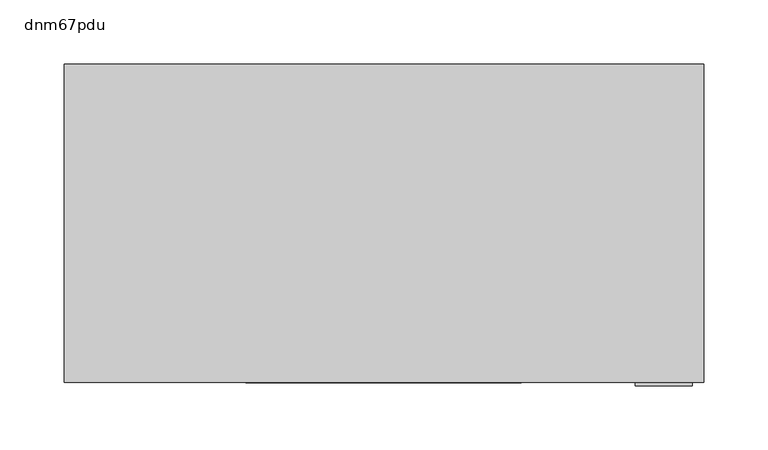
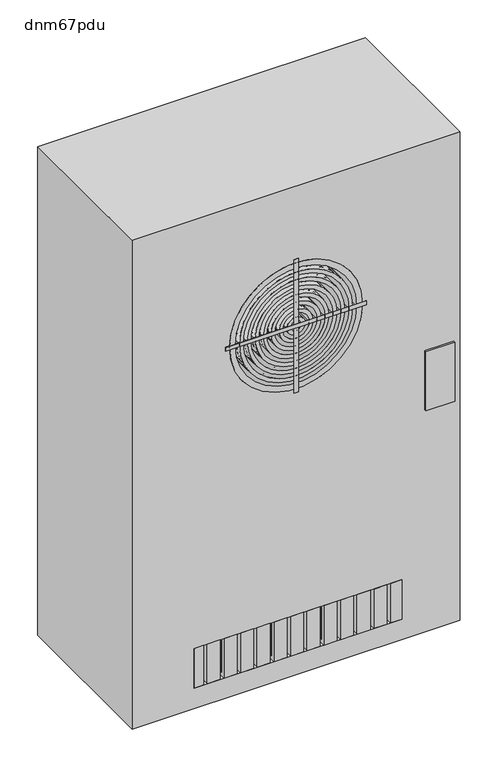
"""IFC4 building model written with IfcOpenShell, lengths in millimetres: proxy geometry, dnm67pdu."""

from ifc_helpers import new_model, si_unit, point, frame, frame_2d, origin, place, context, project, spatial, polyline, circle_curve, trimmed, segment, composite_curve, outline, extrude, source, transform, mapped, element, save
from ifc_brep_helpers import plane_surface, revolved_surface, advanced_brep


def dnm67pdu_6acc0c2c(model_context):
    return source(origin(), model_context, "Body", "SolidModel", [
        extrude(outline(polyline([(240.7373828, -251.618853), (196.2873828, -251.618853), (196.2873828, -232.6792723), (240.7373828, -232.6792723), (240.7373828, -251.618853)])), frame((0.0, 0.0, 1488.1711853), z_axis=(0.0, 0.0, 1.0), x_axis=(1.0, 0.0, 0.0)), (0.0, 0.0, 1.0), 95.25),
        extrude(outline(polyline([(-115.4828075, -248.92), (-135.3156418, -248.92), (-135.3156418, -160.8827097), (-115.4828075, -160.8827097), (-115.4828075, -248.92)])), frame((0.0, 0.0, 1163.2957115), z_axis=(0.0, 0.0, 1.0), x_axis=(1.0, 0.0, 0.0)), (0.0, 0.0, 1.0), 63.5),
        extrude(outline(polyline([(-155.7407359, -248.92), (-155.7407359, -160.8827097), (-140.8828075, -160.8827097), (-140.8828075, -248.92), (-155.7407359, -248.92)])), frame((0.0, 0.0, 1163.2957115), z_axis=(0.0, 0.0, 1.0), x_axis=(1.0, 0.0, 0.0)), (0.0, 0.0, 1.0), 63.5),
        extrude(outline(polyline([(-90.0828075, -248.92), (-109.9156418, -248.92), (-109.9156418, -160.8827097), (-90.0828075, -160.8827097), (-90.0828075, -248.92)])), frame((0.0, 0.0, 1163.2957115), z_axis=(0.0, 0.0, 1.0), x_axis=(1.0, 0.0, 0.0)), (0.0, 0.0, 1.0), 63.5),
        extrude(outline(polyline([(-64.6828075, -248.92), (-84.5156418, -248.92), (-84.5156418, -160.8827097), (-64.6828075, -160.8827097), (-64.6828075, -248.92)])), frame((0.0, 0.0, 1163.2957115), z_axis=(0.0, 0.0, 1.0), x_axis=(1.0, 0.0, 0.0)), (0.0, 0.0, 1.0), 63.5),
        extrude(outline(polyline([(-39.2828075, -248.92), (-59.1156418, -248.92), (-59.1156418, -160.8827097), (-39.2828075, -160.8827097), (-39.2828075, -248.92)])), frame((0.0, 0.0, 1163.2957115), z_axis=(0.0, 0.0, 1.0), x_axis=(1.0, 0.0, 0.0)), (0.0, 0.0, 1.0), 63.5),
        extrude(outline(polyline([(-13.8828075, -248.92), (-33.7156418, -248.92), (-33.7156418, -160.8827097), (-13.8828075, -160.8827097), (-13.8828075, -248.92)])), frame((0.0, 0.0, 1163.2957115), z_axis=(0.0, 0.0, 1.0), x_axis=(1.0, 0.0, 0.0)), (0.0, 0.0, 1.0), 63.5),
        extrude(outline(polyline([(11.5171925, -248.92), (-8.3156418, -248.92), (-8.3156418, -160.8827097), (11.5171925, -160.8827097), (11.5171925, -248.92)])), frame((0.0, 0.0, 1163.2957115), z_axis=(0.0, 0.0, 1.0), x_axis=(1.0, 0.0, 0.0)), (0.0, 0.0, 1.0), 63.5),
        extrude(outline(polyline([(36.9171925, -248.92), (17.0843582, -248.92), (17.0843582, -160.8827097), (36.9171925, -160.8827097), (36.9171925, -248.92)])), frame((0.0, 0.0, 1163.2957115), z_axis=(0.0, 0.0, 1.0), x_axis=(1.0, 0.0, 0.0)), (0.0, 0.0, 1.0), 63.5),
        extrude(outline(polyline([(62.3171925, -248.92), (42.4843582, -248.92), (42.4843582, -160.8827097), (62.3171925, -160.8827097), (62.3171925, -248.92)])), frame((0.0, 0.0, 1163.2957115), z_axis=(0.0, 0.0, 1.0), x_axis=(1.0, 0.0, 0.0)), (0.0, 0.0, 1.0), 63.5),
        extrude(outline(polyline([(87.7171925, -248.92), (67.8843582, -248.92), (67.8843582, -160.8827097), (87.7171925, -160.8827097), (87.7171925, -248.92)])), frame((0.0, 0.0, 1163.2957115), z_axis=(0.0, 0.0, 1.0), x_axis=(1.0, 0.0, 0.0)), (0.0, 0.0, 1.0), 63.5),
        extrude(outline(polyline([(113.1171925, -248.92), (93.2843582, -248.92), (93.2843582, -160.8827097), (113.1171925, -160.8827097), (113.1171925, -248.92)])), frame((0.0, 0.0, 1163.2957115), z_axis=(0.0, 0.0, 1.0), x_axis=(1.0, 0.0, 0.0)), (0.0, 0.0, 1.0), 63.5),
        extrude(outline(polyline([(138.5171925, -248.92), (118.6843582, -248.92), (118.6843582, -160.8827097), (138.5171925, -160.8827097), (138.5171925, -248.92)])), frame((0.0, 0.0, 1163.2957115), z_axis=(0.0, 0.0, 1.0), x_axis=(1.0, 0.0, 0.0)), (0.0, 0.0, 1.0), 63.5),
        extrude(outline(polyline([(161.7592641, -160.8827097), (161.7592641, -248.92), (144.0843582, -248.92), (144.0843582, -160.8827097), (161.7592641, -160.8827097)])), frame((0.0, 0.0, 1163.2957115), z_axis=(0.0, 0.0, 1.0), x_axis=(1.0, 0.0, 0.0)), (0.0, 0.0, 1.0), 63.5),
        extrude(outline(polyline([(-115.4828075, -243.2087184), (-135.3156418, -243.2087184), (-135.3156418, -182.1881634), (-115.4828075, -182.1881634), (-115.4828075, -243.2087184)])), frame((0.0, 0.0, 1169.3480552), z_axis=(0.0, 0.0, 1.0), x_axis=(1.0, 0.0, 0.0)), (0.0, 0.0, 1.0), 51.3953125),
        extrude(outline(polyline([(-149.6883922, -243.2087184), (-149.6883922, -182.1881634), (-140.8828075, -182.1881634), (-140.8828075, -243.2087184), (-149.6883922, -243.2087184)])), frame((0.0, 0.0, 1169.3480552), z_axis=(0.0, 0.0, 1.0), x_axis=(1.0, 0.0, 0.0)), (0.0, 0.0, 1.0), 51.3953125),
        extrude(outline(polyline([(-90.0828075, -243.2087184), (-109.9156418, -243.2087184), (-109.9156418, -182.1881634), (-90.0828075, -182.1881634), (-90.0828075, -243.2087184)])), frame((0.0, 0.0, 1169.3480552), z_axis=(0.0, 0.0, 1.0), x_axis=(1.0, 0.0, 0.0)), (0.0, 0.0, 1.0), 51.3953125),
        extrude(outline(polyline([(-64.6828075, -243.2087184), (-84.5156418, -243.2087184), (-84.5156418, -182.1881634), (-64.6828075, -182.1881634), (-64.6828075, -243.2087184)])), frame((0.0, 0.0, 1169.3480552), z_axis=(0.0, 0.0, 1.0), x_axis=(1.0, 0.0, 0.0)), (0.0, 0.0, 1.0), 51.3953125),
        extrude(outline(polyline([(-39.2828075, -243.2087184), (-59.1156418, -243.2087184), (-59.1156418, -182.1881634), (-39.2828075, -182.1881634), (-39.2828075, -243.2087184)])), frame((0.0, 0.0, 1169.3480552), z_axis=(0.0, 0.0, 1.0), x_axis=(1.0, 0.0, 0.0)), (0.0, 0.0, 1.0), 51.3953125),
        extrude(outline(polyline([(-13.8828075, -243.2087184), (-33.7156418, -243.2087184), (-33.7156418, -182.1881634), (-13.8828075, -182.1881634), (-13.8828075, -243.2087184)])), frame((0.0, 0.0, 1169.3480552), z_axis=(0.0, 0.0, 1.0), x_axis=(1.0, 0.0, 0.0)), (0.0, 0.0, 1.0), 51.3953125),
        extrude(outline(polyline([(11.5171925, -243.2087184), (-8.3156418, -243.2087184), (-8.3156418, -182.1881634), (11.5171925, -182.1881634), (11.5171925, -243.2087184)])), frame((0.0, 0.0, 1169.3480552), z_axis=(0.0, 0.0, 1.0), x_axis=(1.0, 0.0, 0.0)), (0.0, 0.0, 1.0), 51.3953125),
        extrude(outline(polyline([(36.9171925, -243.2087184), (17.0843582, -243.2087184), (17.0843582, -182.1881634), (36.9171925, -182.1881634), (36.9171925, -243.2087184)])), frame((0.0, 0.0, 1169.3480552), z_axis=(0.0, 0.0, 1.0), x_axis=(1.0, 0.0, 0.0)), (0.0, 0.0, 1.0), 51.3953125),
        extrude(outline(polyline([(62.3171925, -243.2087184), (42.4843582, -243.2087184), (42.4843582, -182.1881634), (62.3171925, -182.1881634), (62.3171925, -243.2087184)])), frame((0.0, 0.0, 1169.3480552), z_axis=(0.0, 0.0, 1.0), x_axis=(1.0, 0.0, 0.0)), (0.0, 0.0, 1.0), 51.3953125),
        extrude(outline(polyline([(87.7171925, -243.2087184), (67.8843582, -243.2087184), (67.8843582, -182.1881634), (87.7171925, -182.1881634), (87.7171925, -243.2087184)])), frame((0.0, 0.0, 1169.3480552), z_axis=(0.0, 0.0, 1.0), x_axis=(1.0, 0.0, 0.0)), (0.0, 0.0, 1.0), 51.3953125),
        extrude(outline(polyline([(113.1171925, -243.2087184), (93.2843582, -243.2087184), (93.2843582, -182.1881634), (113.1171925, -182.1881634), (113.1171925, -243.2087184)])), frame((0.0, 0.0, 1169.3480552), z_axis=(0.0, 0.0, 1.0), x_axis=(1.0, 0.0, 0.0)), (0.0, 0.0, 1.0), 51.3953125),
        extrude(outline(polyline([(138.5171925, -243.2087184), (118.6843582, -243.2087184), (118.6843582, -182.1881634), (138.5171925, -182.1881634), (138.5171925, -243.2087184)])), frame((0.0, 0.0, 1169.3480552), z_axis=(0.0, 0.0, 1.0), x_axis=(1.0, 0.0, 0.0)), (0.0, 0.0, 1.0), 51.3953125),
        extrude(outline(polyline([(155.7069203, -182.1881634), (155.7069203, -243.2087184), (144.0843582, -243.2087184), (144.0843582, -182.1881634), (155.7069203, -182.1881634)])), frame((0.0, 0.0, 1169.3480552), z_axis=(0.0, 0.0, 1.0), x_axis=(1.0, 0.0, 0.0)), (0.0, 0.0, 1.0), 51.3953125),
        extrude(outline(composite_curve([segment(trimmed(circle_curve(frame_2d((1692.5884875, 0.0)), 101.6), [point((1692.5884875, -101.6))], [point((1692.5884875, 101.6))], False, "CARTESIAN"), True, "CONTINUOUS"), segment(trimmed(circle_curve(frame_2d((1692.5884875, 0.0)), 101.6), [point((1692.5884875, 101.6))], [point((1692.5884875, -101.6))], False, "CARTESIAN"), True, "CONTINUOUS")], self_intersect=False), holes=[composite_curve([segment(trimmed(circle_curve(frame_2d((1692.5884875, 0.0)), 92.471875), [point((1692.5884875, -92.471875))], [point((1692.5884875, 92.471875))], True, "CARTESIAN"), True, "CONTINUOUS"), segment(trimmed(circle_curve(frame_2d((1692.5884875, 0.0)), 92.471875), [point((1692.5884875, 92.471875))], [point((1692.5884875, -92.471875))], True, "CARTESIAN"), True, "CONTINUOUS")], self_intersect=False)]), frame((0.0, -248.92, 0.0), z_axis=(0.0, 1.0, 0.0), x_axis=(0.0, 0.0, 1.0)), (0.0, 0.0, 1.0), 88.0372903),
        extrude(outline(composite_curve([segment(trimmed(circle_curve(frame_2d((1692.5884875, 0.0)), 86.4195313), [point((1692.5884875, -86.4195313))], [point((1692.5884875, 86.4195313))], False, "CARTESIAN"), True, "CONTINUOUS"), segment(trimmed(circle_curve(frame_2d((1692.5884875, 0.0)), 86.4195313), [point((1692.5884875, 86.4195313))], [point((1692.5884875, -86.4195313))], False, "CARTESIAN"), True, "CONTINUOUS")], self_intersect=False), holes=[composite_curve([segment(trimmed(circle_curve(frame_2d((1692.5884875, 0.0)), 80.3671875), [point((1692.5884875, -80.3671875))], [point((1692.5884875, 80.3671875))], True, "CARTESIAN"), True, "CONTINUOUS"), segment(trimmed(circle_curve(frame_2d((1692.5884875, 0.0)), 80.3671875), [point((1692.5884875, 80.3671875))], [point((1692.5884875, -80.3671875))], True, "CARTESIAN"), True, "CONTINUOUS")], self_intersect=False)]), frame((0.0, -248.92, 0.0), z_axis=(0.0, 1.0, 0.0), x_axis=(0.0, 0.0, 1.0)), (0.0, 0.0, 1.0), 88.0372903),
        extrude(outline(composite_curve([segment(trimmed(circle_curve(frame_2d((1692.5884875, 0.0)), 74.3148438), [point((1692.5884875, -74.3148438))], [point((1692.5884875, 74.3148438))], False, "CARTESIAN"), True, "CONTINUOUS"), segment(trimmed(circle_curve(frame_2d((1692.5884875, 0.0)), 74.3148438), [point((1692.5884875, 74.3148438))], [point((1692.5884875, -74.3148438))], False, "CARTESIAN"), True, "CONTINUOUS")], self_intersect=False), holes=[composite_curve([segment(trimmed(circle_curve(frame_2d((1692.5884875, 0.0)), 68.2625), [point((1692.5884875, -68.2625))], [point((1692.5884875, 68.2625))], True, "CARTESIAN"), True, "CONTINUOUS"), segment(trimmed(circle_curve(frame_2d((1692.5884875, 0.0)), 68.2625), [point((1692.5884875, 68.2625))], [point((1692.5884875, -68.2625))], True, "CARTESIAN"), True, "CONTINUOUS")], self_intersect=False)]), frame((0.0, -248.92, 0.0), z_axis=(0.0, 1.0, 0.0), x_axis=(0.0, 0.0, 1.0)), (0.0, 0.0, 1.0), 88.0372903),
        extrude(outline(composite_curve([segment(trimmed(circle_curve(frame_2d((1692.5884875, 0.0)), 62.2101563), [point((1692.5884875, -62.2101563))], [point((1692.5884875, 62.2101563))], False, "CARTESIAN"), True, "CONTINUOUS"), segment(trimmed(circle_curve(frame_2d((1692.5884875, 0.0)), 62.2101563), [point((1692.5884875, 62.2101563))], [point((1692.5884875, -62.2101563))], False, "CARTESIAN"), True, "CONTINUOUS")], self_intersect=False), holes=[composite_curve([segment(trimmed(circle_curve(frame_2d((1692.5884875, 0.0)), 56.1578125), [point((1692.5884875, -56.1578125))], [point((1692.5884875, 56.1578125))], True, "CARTESIAN"), True, "CONTINUOUS"), segment(trimmed(circle_curve(frame_2d((1692.5884875, 0.0)), 56.1578125), [point((1692.5884875, 56.1578125))], [point((1692.5884875, -56.1578125))], True, "CARTESIAN"), True, "CONTINUOUS")], self_intersect=False)]), frame((0.0, -248.92, 0.0), z_axis=(0.0, 1.0, 0.0), x_axis=(0.0, 0.0, 1.0)), (0.0, 0.0, 1.0), 88.0372903),
        extrude(outline(composite_curve([segment(trimmed(circle_curve(frame_2d((1692.5884875, 0.0)), 50.1054688), [point((1692.5884875, -50.1054688))], [point((1692.5884875, 50.1054688))], False, "CARTESIAN"), True, "CONTINUOUS"), segment(trimmed(circle_curve(frame_2d((1692.5884875, 0.0)), 50.1054688), [point((1692.5884875, 50.1054688))], [point((1692.5884875, -50.1054688))], False, "CARTESIAN"), True, "CONTINUOUS")], self_intersect=False), holes=[composite_curve([segment(trimmed(circle_curve(frame_2d((1692.5884875, 0.0)), 44.053125), [point((1692.5884875, -44.053125))], [point((1692.5884875, 44.053125))], True, "CARTESIAN"), True, "CONTINUOUS"), segment(trimmed(circle_curve(frame_2d((1692.5884875, 0.0)), 44.053125), [point((1692.5884875, 44.053125))], [point((1692.5884875, -44.053125))], True, "CARTESIAN"), True, "CONTINUOUS")], self_intersect=False)]), frame((0.0, -248.92, 0.0), z_axis=(0.0, 1.0, 0.0), x_axis=(0.0, 0.0, 1.0)), (0.0, 0.0, 1.0), 88.0372903),
        extrude(outline(composite_curve([segment(trimmed(circle_curve(frame_2d((1692.5884875, 0.0)), 38.0007813), [point((1692.5884875, -38.0007813))], [point((1692.5884875, 38.0007813))], False, "CARTESIAN"), True, "CONTINUOUS"), segment(trimmed(circle_curve(frame_2d((1692.5884875, 0.0)), 38.0007813), [point((1692.5884875, 38.0007813))], [point((1692.5884875, -38.0007813))], False, "CARTESIAN"), True, "CONTINUOUS")], self_intersect=False), holes=[composite_curve([segment(trimmed(circle_curve(frame_2d((1692.5884875, 0.0)), 31.9484375), [point((1692.5884875, -31.9484375))], [point((1692.5884875, 31.9484375))], True, "CARTESIAN"), True, "CONTINUOUS"), segment(trimmed(circle_curve(frame_2d((1692.5884875, 0.0)), 31.9484375), [point((1692.5884875, 31.9484375))], [point((1692.5884875, -31.9484375))], True, "CARTESIAN"), True, "CONTINUOUS")], self_intersect=False)]), frame((0.0, -248.92, 0.0), z_axis=(0.0, 1.0, 0.0), x_axis=(0.0, 0.0, 1.0)), (0.0, 0.0, 1.0), 88.0372903),
        extrude(outline(composite_curve([segment(trimmed(circle_curve(frame_2d((1692.5884875, 0.0)), 25.8960938), [point((1692.5884875, -25.8960938))], [point((1692.5884875, 25.8960938))], False, "CARTESIAN"), True, "CONTINUOUS"), segment(trimmed(circle_curve(frame_2d((1692.5884875, 0.0)), 25.8960938), [point((1692.5884875, 25.8960938))], [point((1692.5884875, -25.8960938))], False, "CARTESIAN"), True, "CONTINUOUS")], self_intersect=False), holes=[composite_curve([segment(trimmed(circle_curve(frame_2d((1692.5884875, 0.0)), 19.84375), [point((1692.5884875, -19.84375))], [point((1692.5884875, 19.84375))], True, "CARTESIAN"), True, "CONTINUOUS"), segment(trimmed(circle_curve(frame_2d((1692.5884875, 0.0)), 19.84375), [point((1692.5884875, 19.84375))], [point((1692.5884875, -19.84375))], True, "CARTESIAN"), True, "CONTINUOUS")], self_intersect=False)]), frame((0.0, -248.92, 0.0), z_axis=(0.0, 1.0, 0.0), x_axis=(0.0, 0.0, 1.0)), (0.0, 0.0, 1.0), 88.0372903),
        extrude(outline(composite_curve([segment(trimmed(circle_curve(frame_2d((1692.5884875, 0.0)), 13.7914063), [point((1692.5884875, -13.7914063))], [point((1692.5884875, 13.7914063))], False, "CARTESIAN"), True, "CONTINUOUS"), segment(trimmed(circle_curve(frame_2d((1692.5884875, 0.0)), 13.7914063), [point((1692.5884875, 13.7914063))], [point((1692.5884875, -13.7914063))], False, "CARTESIAN"), True, "CONTINUOUS")], self_intersect=False), holes=[composite_curve([segment(trimmed(circle_curve(frame_2d((1692.5884875, 0.0)), 7.7390625), [point((1692.5884875, -7.7390625))], [point((1692.5884875, 7.7390625))], True, "CARTESIAN"), True, "CONTINUOUS"), segment(trimmed(circle_curve(frame_2d((1692.5884875, 0.0)), 7.7390625), [point((1692.5884875, 7.7390625))], [point((1692.5884875, -7.7390625))], True, "CARTESIAN"), True, "CONTINUOUS")], self_intersect=False)]), frame((0.0, -248.92, 0.0), z_axis=(0.0, 1.0, 0.0), x_axis=(0.0, 0.0, 1.0)), (0.0, 0.0, 1.0), 88.0372903),
        extrude(outline(polyline([(107.15625, -249.3932625), (-107.95, -249.3932625), (-107.95, -248.92), (107.15625, -248.92), (107.15625, -249.3932625)])), frame((0.0, 0.0, 1689.1), z_axis=(0.0, 0.0, 1.0), x_axis=(1.0, 0.0, 0.0)), (0.0, 0.0, 1.0), 6.35),
        extrude(outline(polyline([(3.175, -249.3932625), (-3.175, -249.3932625), (-3.175, -248.92), (3.175, -248.92), (3.175, -249.3932625)])), frame((0.0, 0.0, 1585.0452046), z_axis=(0.0, 0.0, 1.0), x_axis=(1.0, 0.0, 0.0)), (0.0, 0.0, 1.0), 215.10625),
        extrude(outline(composite_curve([segment(trimmed(circle_curve(frame_2d((1692.5884875, 0.0)), 98.5242188), [point((1692.5884875, 98.5242188))], [point((1692.5884875, -98.5242188))], False, "CARTESIAN"), True, "CONTINUOUS"), segment(trimmed(circle_curve(frame_2d((1692.5884875, 0.0)), 98.5242188), [point((1692.5884875, -98.5242188))], [point((1692.5884875, 98.5242188))], False, "CARTESIAN"), True, "CONTINUOUS")], self_intersect=False), holes=[composite_curve([segment(trimmed(circle_curve(frame_2d((1692.5884875, 0.0)), 92.471875), [point((1692.5884875, -92.471875))], [point((1692.5884875, 92.471875))], True, "CARTESIAN"), True, "CONTINUOUS"), segment(trimmed(circle_curve(frame_2d((1692.5884875, 0.0)), 92.471875), [point((1692.5884875, 92.471875))], [point((1692.5884875, -92.471875))], True, "CARTESIAN"), True, "CONTINUOUS")], self_intersect=False)]), frame((0.0, -241.3, 0.0), z_axis=(0.0, 1.0, 0.0), x_axis=(0.0, 0.0, 1.0)), (0.0, 0.0, 1.0), 58.8591125),
        extrude(outline(composite_curve([segment(trimmed(circle_curve(frame_2d((1692.5884875, 0.0)), 86.4195313), [point((1692.5884875, -86.4195313))], [point((1692.5884875, 86.4195313))], False, "CARTESIAN"), True, "CONTINUOUS"), segment(trimmed(circle_curve(frame_2d((1692.5884875, 0.0)), 86.4195313), [point((1692.5884875, 86.4195313))], [point((1692.5884875, -86.4195313))], False, "CARTESIAN"), True, "CONTINUOUS")], self_intersect=False), holes=[composite_curve([segment(trimmed(circle_curve(frame_2d((1692.5884875, 0.0)), 80.3671875), [point((1692.5884875, -80.3671875))], [point((1692.5884875, 80.3671875))], True, "CARTESIAN"), True, "CONTINUOUS"), segment(trimmed(circle_curve(frame_2d((1692.5884875, 0.0)), 80.3671875), [point((1692.5884875, 80.3671875))], [point((1692.5884875, -80.3671875))], True, "CARTESIAN"), True, "CONTINUOUS")], self_intersect=False)]), frame((0.0, -241.3, 0.0), z_axis=(0.0, 1.0, 0.0), x_axis=(0.0, 0.0, 1.0)), (0.0, 0.0, 1.0), 58.8591125),
        extrude(outline(composite_curve([segment(trimmed(circle_curve(frame_2d((1692.5884875, 0.0)), 74.3148438), [point((1692.5884875, -74.3148438))], [point((1692.5884875, 74.3148438))], False, "CARTESIAN"), True, "CONTINUOUS"), segment(trimmed(circle_curve(frame_2d((1692.5884875, 0.0)), 74.3148438), [point((1692.5884875, 74.3148438))], [point((1692.5884875, -74.3148438))], False, "CARTESIAN"), True, "CONTINUOUS")], self_intersect=False), holes=[composite_curve([segment(trimmed(circle_curve(frame_2d((1692.5884875, 0.0)), 68.2625), [point((1692.5884875, -68.2625))], [point((1692.5884875, 68.2625))], True, "CARTESIAN"), True, "CONTINUOUS"), segment(trimmed(circle_curve(frame_2d((1692.5884875, 0.0)), 68.2625), [point((1692.5884875, 68.2625))], [point((1692.5884875, -68.2625))], True, "CARTESIAN"), True, "CONTINUOUS")], self_intersect=False)]), frame((0.0, -241.3, 0.0), z_axis=(0.0, 1.0, 0.0), x_axis=(0.0, 0.0, 1.0)), (0.0, 0.0, 1.0), 58.8591125),
        extrude(outline(composite_curve([segment(trimmed(circle_curve(frame_2d((1692.5884875, 0.0)), 62.2101563), [point((1692.5884875, -62.2101563))], [point((1692.5884875, 62.2101563))], False, "CARTESIAN"), True, "CONTINUOUS"), segment(trimmed(circle_curve(frame_2d((1692.5884875, 0.0)), 62.2101563), [point((1692.5884875, 62.2101563))], [point((1692.5884875, -62.2101563))], False, "CARTESIAN"), True, "CONTINUOUS")], self_intersect=False), holes=[composite_curve([segment(trimmed(circle_curve(frame_2d((1692.5884875, 0.0)), 56.1578125), [point((1692.5884875, -56.1578125))], [point((1692.5884875, 56.1578125))], True, "CARTESIAN"), True, "CONTINUOUS"), segment(trimmed(circle_curve(frame_2d((1692.5884875, 0.0)), 56.1578125), [point((1692.5884875, 56.1578125))], [point((1692.5884875, -56.1578125))], True, "CARTESIAN"), True, "CONTINUOUS")], self_intersect=False)]), frame((0.0, -241.3, 0.0), z_axis=(0.0, 1.0, 0.0), x_axis=(0.0, 0.0, 1.0)), (0.0, 0.0, 1.0), 58.8591125),
        extrude(outline(composite_curve([segment(trimmed(circle_curve(frame_2d((1692.5884875, 0.0)), 50.1054688), [point((1692.5884875, -50.1054688))], [point((1692.5884875, 50.1054688))], False, "CARTESIAN"), True, "CONTINUOUS"), segment(trimmed(circle_curve(frame_2d((1692.5884875, 0.0)), 50.1054688), [point((1692.5884875, 50.1054688))], [point((1692.5884875, -50.1054688))], False, "CARTESIAN"), True, "CONTINUOUS")], self_intersect=False), holes=[composite_curve([segment(trimmed(circle_curve(frame_2d((1692.5884875, 0.0)), 44.053125), [point((1692.5884875, -44.053125))], [point((1692.5884875, 44.053125))], True, "CARTESIAN"), True, "CONTINUOUS"), segment(trimmed(circle_curve(frame_2d((1692.5884875, 0.0)), 44.053125), [point((1692.5884875, 44.053125))], [point((1692.5884875, -44.053125))], True, "CARTESIAN"), True, "CONTINUOUS")], self_intersect=False)]), frame((0.0, -241.3, 0.0), z_axis=(0.0, 1.0, 0.0), x_axis=(0.0, 0.0, 1.0)), (0.0, 0.0, 1.0), 58.8591125),
        extrude(outline(composite_curve([segment(trimmed(circle_curve(frame_2d((1692.5884875, 0.0)), 38.0007813), [point((1692.5884875, -38.0007813))], [point((1692.5884875, 38.0007813))], False, "CARTESIAN"), True, "CONTINUOUS"), segment(trimmed(circle_curve(frame_2d((1692.5884875, 0.0)), 38.0007813), [point((1692.5884875, 38.0007813))], [point((1692.5884875, -38.0007813))], False, "CARTESIAN"), True, "CONTINUOUS")], self_intersect=False), holes=[composite_curve([segment(trimmed(circle_curve(frame_2d((1692.5884875, 0.0)), 31.9484375), [point((1692.5884875, -31.9484375))], [point((1692.5884875, 31.9484375))], True, "CARTESIAN"), True, "CONTINUOUS"), segment(trimmed(circle_curve(frame_2d((1692.5884875, 0.0)), 31.9484375), [point((1692.5884875, 31.9484375))], [point((1692.5884875, -31.9484375))], True, "CARTESIAN"), True, "CONTINUOUS")], self_intersect=False)]), frame((0.0, -241.3, 0.0), z_axis=(0.0, 1.0, 0.0), x_axis=(0.0, 0.0, 1.0)), (0.0, 0.0, 1.0), 58.8591125),
        extrude(outline(composite_curve([segment(trimmed(circle_curve(frame_2d((1692.5884875, 0.0)), 25.8960938), [point((1692.5884875, -25.8960938))], [point((1692.5884875, 25.8960938))], False, "CARTESIAN"), True, "CONTINUOUS"), segment(trimmed(circle_curve(frame_2d((1692.5884875, 0.0)), 25.8960938), [point((1692.5884875, 25.8960938))], [point((1692.5884875, -25.8960938))], False, "CARTESIAN"), True, "CONTINUOUS")], self_intersect=False), holes=[composite_curve([segment(trimmed(circle_curve(frame_2d((1692.5884875, 0.0)), 19.84375), [point((1692.5884875, -19.84375))], [point((1692.5884875, 19.84375))], True, "CARTESIAN"), True, "CONTINUOUS"), segment(trimmed(circle_curve(frame_2d((1692.5884875, 0.0)), 19.84375), [point((1692.5884875, 19.84375))], [point((1692.5884875, -19.84375))], True, "CARTESIAN"), True, "CONTINUOUS")], self_intersect=False)]), frame((0.0, -241.3, 0.0), z_axis=(0.0, 1.0, 0.0), x_axis=(0.0, 0.0, 1.0)), (0.0, 0.0, 1.0), 58.8591125),
        extrude(outline(composite_curve([segment(trimmed(circle_curve(frame_2d((1692.5884875, 0.0)), 13.7914063), [point((1692.5884875, -13.7914063))], [point((1692.5884875, 13.7914063))], False, "CARTESIAN"), True, "CONTINUOUS"), segment(trimmed(circle_curve(frame_2d((1692.5884875, 0.0)), 13.7914063), [point((1692.5884875, 13.7914063))], [point((1692.5884875, -13.7914063))], False, "CARTESIAN"), True, "CONTINUOUS")], self_intersect=False), holes=[composite_curve([segment(trimmed(circle_curve(frame_2d((1692.5884875, 0.0)), 7.7390625), [point((1692.5884875, -7.7390625))], [point((1692.5884875, 7.7390625))], True, "CARTESIAN"), True, "CONTINUOUS"), segment(trimmed(circle_curve(frame_2d((1692.5884875, 0.0)), 7.7390625), [point((1692.5884875, 7.7390625))], [point((1692.5884875, -7.7390625))], True, "CARTESIAN"), True, "CONTINUOUS")], self_intersect=False)]), frame((0.0, -241.3, 0.0), z_axis=(0.0, 1.0, 0.0), x_axis=(0.0, 0.0, 1.0)), (0.0, 0.0, 1.0), 58.8591125),
        advanced_brep(
        [(249.936, 0.0, 1917.7), (-249.936, 0.0, 1917.7), (-249.936, -248.92, 1917.7), (249.936, -248.92, 1917.7), (249.936, 0.0, 1130.3), (249.936, -248.92, 1130.3), (-249.936, -248.92, 1130.3), (-249.936, 0.0, 1130.3), (-101.6, -248.92, 1692.5884875), (101.6, -248.92, 1692.5884875), (161.7592641, -248.92, 1226.7957115), (161.7592641, -248.92, 1163.2957115), (-155.7407359, -248.92, 1163.2957115), (-155.7407359, -248.92, 1226.7957115), (-101.6, -175.8781005, 1692.5884875), (101.6, -175.8781005, 1692.5884875), (161.7592641, -160.8827097, 1226.7957115), (-155.7407359, -160.8827097, 1226.7957115), (-155.7407359, -160.8827097, 1163.2957115), (161.7592641, -160.8827097, 1163.2957115)],
        [
            (0, 1),
            (1, 2),
            (2, 3),
            (3, 0),
            (4, 5),
            (5, 6),
            (6, 7),
            (7, 4),
            (0, 4),
            (7, 1),
            (6, 2),
            (5, 3),
            (8, 9, circle_curve(frame((0.0, -248.92, 1692.5884875), z_axis=(0.0, 1.0, 0.0), x_axis=(1.0, 0.0, 0.0)), 101.6)),
            (9, 8, circle_curve(frame((0.0, -248.92, 1692.5884875), z_axis=(0.0, 1.0, 0.0), x_axis=(1.0, 0.0, 0.0)), 101.6)),
            (10, 11),
            (11, 12),
            (12, 13),
            (13, 10),
            (14, 15, circle_curve(frame((0.0, -175.8781005, 1692.5884875), z_axis=(0.0, -1.0, 0.0), x_axis=(1.0, 0.0, 0.0)), 101.6)),
            (15, 14, circle_curve(frame((0.0, -175.8781005, 1692.5884875), z_axis=(0.0, -1.0, 0.0), x_axis=(1.0, 0.0, 0.0)), 101.6)),
            (15, 9),
            (8, 14),
            (16, 17),
            (17, 18),
            (18, 19),
            (19, 16),
            (19, 11),
            (10, 16),
            (18, 12),
            (17, 13),
        ],
        [
            plane_surface(frame((-249.936, 0.0, 1917.7), z_axis=(0.0, 0.0, 1.0), x_axis=(-1.0, 0.0, 0.0))),
            plane_surface(frame((-249.936, 0.0, 1130.3), z_axis=(0.0, 0.0, -1.0), x_axis=(1.0, 0.0, 0.0))),
            plane_surface(frame((249.936, 0.0, 1917.7), z_axis=(0.0, 1.0, 0.0), x_axis=(0.0, 0.0, -1.0))),
            plane_surface(frame((-249.936, 0.0, 1917.7), z_axis=(-1.0, 0.0, 0.0), x_axis=(0.0, 0.0, -1.0))),
            plane_surface(frame((-249.936, -248.92, 1917.7), z_axis=(0.0, -1.0, 0.0), x_axis=(0.0, 0.0, -1.0))),
            plane_surface(frame((249.936, -248.92, 1917.7), z_axis=(1.0, 0.0, 0.0), x_axis=(0.0, 0.0, -1.0))),
            plane_surface(frame((101.6, -175.8781005, 1692.5884875), z_axis=(0.0, -1.0, 0.0), x_axis=(0.0, 0.0, -1.0))),
            revolved_surface(polyline([(101.6, -175.8781005, 1692.5884875), (101.6, -248.92, 1692.5884875)]), (0.0, -248.92, 1692.5884875), (0.0, 1.0, 0.0)),
            plane_surface(frame((161.7592641, -160.8827097, 1226.7957115), z_axis=(0.0, -1.0, 0.0), x_axis=(0.0, 0.0, -1.0))),
            plane_surface(frame((161.7592641, -160.8827097, 1226.7957115), z_axis=(-1.0, 0.0, 0.0), x_axis=(0.0, -1.0, 0.0))),
            plane_surface(frame((161.7592641, -160.8827097, 1163.2957115), z_axis=(0.0, 0.0, 1.0), x_axis=(0.0, -1.0, 0.0))),
            plane_surface(frame((-155.7407359, -160.8827097, 1163.2957115), z_axis=(1.0, 0.0, 0.0), x_axis=(0.0, -1.0, 0.0))),
            plane_surface(frame((-155.7407359, -160.8827097, 1226.7957115), z_axis=(0.0, 0.0, -1.0), x_axis=(0.0, -1.0, 0.0))),
        ],
        [
            (0, [[1, 2, 3, 4]]),
            (1, [[5, 6, 7, 8]]),
            (2, [[-1, 9, -8, 10]]),
            (3, [[-2, -10, -7, 11]]),
            (4, [[-3, -11, -6, 12], [13, 14], [15, 16, 17, 18]]),
            (5, [[-4, -12, -5, -9]]),
            (6, [[19, 20]]),
            (7, [[-20, 21, -13, 22]]),
            (7, [[-19, -22, -14, -21]]),
            (8, [[23, 24, 25, 26]]),
            (9, [[-26, 27, -15, 28]]),
            (10, [[-25, 29, -16, -27]]),
            (11, [[-24, 30, -17, -29]]),
            (12, [[-23, -28, -18, -30]]),
        ],
    ),
    ])


if __name__ == "__main__":
    model = new_model("IFC4")
    model_context = context("Model", 3, world=origin())
    ifc_project = project(units=[si_unit("LENGTHUNIT", "METRE", prefix="MILLI")], contexts=[model_context])
    site = spatial("IfcSite", under=ifc_project)
    building = spatial("IfcBuilding", under=site)
    placement = place(None, origin())
    dnm67pdu_shape = dnm67pdu_6acc0c2c(model_context)
    element("IfcBuildingElementProxy", 1, Name="dnm67pdu", ObjectType="dnm67pdu", at=placement, inside=building, context=model_context, shape_type="MappedRepresentation", body=[
        mapped(dnm67pdu_shape, transform((0.0, 0.0, 0.0), x_axis=(1.0, 0.0, 0.0), y_axis=(0.0, 1.0, 0.0), z_axis=(0.0, 0.0, 1.0))),
    ])
    save(model, "model.ifc")
